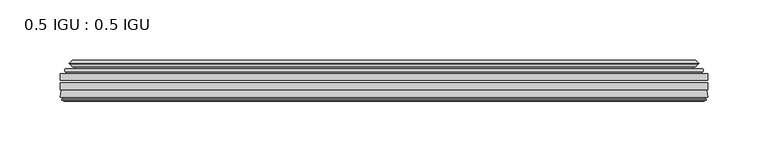
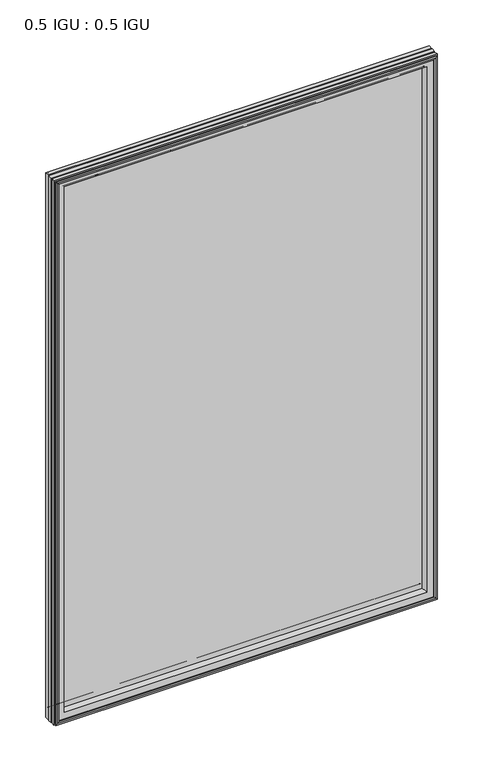
"""IFC4 building model written with IfcOpenShell, lengths in millimetres: plate geometry, 0.5 IGU : 0.5 IGU."""

from ifc_helpers import new_model, si_unit, frame, origin, place, context, project, spatial, polyline, ellipse_curve, outline, extrude, source, transform, mapped, element, save
from ifc_brep_helpers import plane_surface, cylinder_surface, revolved_surface, advanced_brep


def plate_0_5_igu_0_5_igu_18dc0cd3(model_context):
    return source(origin(), model_context, "Body", "SolidModel", [
        extrude(outline(polyline([(268.301675, -55.82285), (268.301675, -61.48705), (-268.2875, -61.48705), (-268.2875, -55.82285), (268.301675, -55.82285)])), frame((0.0, 0.0, -14.2875), z_axis=(0.0, 0.0, 1.0), x_axis=(1.0, 0.0, 0.0)), (0.0, 0.0, 1.0), 806.4537979),
        extrude(outline(polyline([(-268.2875, -69.05625), (-268.2875, -63.39205), (268.301675, -63.39205), (268.301675, -69.05625), (-268.2875, -69.05625)])), frame((0.0, 0.0, -14.2875), z_axis=(0.0, 0.0, 1.0), x_axis=(1.0, 0.0, 0.0)), (0.0, 0.0, 1.0), 806.4537979),
        advanced_brep(
        [(-264.1849626, -54.3724927, 788.0599626), (-263.1404378, -51.60645, 787.0154378), (-263.1404378, -51.60645, -9.1404378), (-264.1849626, -54.3724927, -10.1849626), (-262.548517, -55.82285, 786.423517), (-262.548517, -55.82285, -8.548517), (-254.0, -45.63745, 777.875), (-250.4172761, -55.82285, 774.2922761), (-250.4172761, -55.82285, 3.5827239), (-254.0, -45.63745, 0.0), (-259.1859109, -46.8185491, 783.0609109), (-259.1859109, -46.8185491, -5.1859109), (-258.3888893, -44.8183085, 782.2638893), (-258.3888893, -44.8183085, -4.3888893), (-260.6726111, -47.135817, 784.5476111), (-260.6726111, -47.135817, -6.6726111), (-260.6726111, -47.8489429, 784.5476111), (-260.6726111, -47.8489429, -6.6726111), (-258.3888893, -50.1664515, 782.2638893), (-258.3888893, -50.1664515, -4.3888893), (-259.1782501, -48.1854367, 783.0532501), (-259.1782501, -48.1854367, -5.1782501), (-256.6544379, -48.027045, 780.5294379), (-256.6544379, -48.027045, -2.6544379), (-255.6286217, -48.7147544, 779.5036217), (-255.6286217, -48.7147544, -1.6286217), (-255.7470288, -50.1092231, 779.6220288), (-255.7470288, -50.1092231, -1.7470288), (-256.3487748, -51.60645, 780.2237748), (-256.3487748, -51.60645, -2.3487748), (263.1404378, -51.60645, -9.1404378), (264.1849626, -54.3724927, -10.1849626), (262.548517, -55.82285, -8.548517), (250.4172761, -55.82285, 3.5827239), (254.0, -45.63745, 0.0), (259.1859109, -46.8185491, -5.1859109), (258.3888893, -44.8183085, -4.3888893), (260.6726111, -47.135817, -6.6726111), (260.6726111, -47.8489429, -6.6726111), (258.3888893, -50.1664515, -4.3888893), (259.1782501, -48.1854367, -5.1782501), (256.6544379, -48.027045, -2.6544379), (255.6286217, -48.7147544, -1.6286217), (255.7470288, -50.1092231, -1.7470288), (256.3487748, -51.60645, -2.3487748), (263.1404378, -51.60645, 787.0154378), (264.1849626, -54.3724927, 788.0599626), (262.548517, -55.82285, 786.423517), (250.4172761, -55.82285, 774.2922761), (254.0, -45.63745, 777.875), (259.1859109, -46.8185491, 783.0609109), (258.3888893, -44.8183085, 782.2638893), (260.6726111, -47.135817, 784.5476111), (260.6726111, -47.8489429, 784.5476111), (258.3888893, -50.1664515, 782.2638893), (259.1782501, -48.1854367, 783.0532501), (256.6544379, -48.027045, 780.5294379), (255.6286217, -48.7147544, 779.5036217), (255.7470288, -50.1092231, 779.6220288), (256.3487748, -51.60645, 780.2237748)],
        [
            (0, 1, ellipse_curve(frame((-263.1320703, -53.1898501, 787.0070703), z_axis=(-0.7071067811865475, 0.0, -0.7071067811865475), x_axis=(-0.7071067811865474, 0.0, 0.7071067811865476)), 2.2392971, 1.5834222)),
            (1, 2),
            (2, 3, ellipse_curve(frame((-263.1320703, -53.1898501, -9.1320703), z_axis=(-0.7071067811865475, 0.0, 0.7071067811865475), x_axis=(0.7071067811865474, 0.0, 0.7071067811865476)), 2.2392971, 1.5834222)),
            (3, 0),
            (4, 0),
            (3, 5),
            (5, 4),
            (6, 7, ellipse_curve(frame((-221.720246, -40.0058297, 745.595246), z_axis=(0.7071067811865475, 0.0, 0.7071067811865475), x_axis=(0.7071067811865474, 0.0, -0.7071067811865476)), 46.3399971, 32.7673262)),
            (7, 8),
            (8, 9, ellipse_curve(frame((-221.720246, -40.0058297, 32.279754), z_axis=(0.7071067811865475, 0.0, -0.7071067811865475), x_axis=(-0.7071067811865474, 0.0, -0.7071067811865476)), 46.3399971, 32.7673262)),
            (9, 6),
            (10, 6),
            (9, 11),
            (11, 10),
            (12, 10),
            (11, 13),
            (13, 12),
            (14, 12),
            (13, 15),
            (15, 14),
            (16, 14, ellipse_curve(frame((-260.3107729, -47.49238, 784.1857729), z_axis=(-0.7071067811865475, 0.0, -0.7071067811865475), x_axis=(-0.7071067811865474, 0.0, 0.7071067811865476)), 0.7184205, 0.508)),
            (15, 17, ellipse_curve(frame((-260.3107729, -47.49238, -6.3107729), z_axis=(-0.7071067811865475, 0.0, 0.7071067811865475), x_axis=(0.7071067811865474, 0.0, 0.7071067811865476)), 0.7184205, 0.508)),
            (17, 16),
            (18, 16),
            (17, 19),
            (19, 18),
            (20, 18),
            (19, 21),
            (21, 20),
            (22, 20),
            (21, 23),
            (23, 22),
            (24, 22, ellipse_curve(frame((-256.5908, -49.04105, 780.4658), z_axis=(0.7071067811865475, 0.0, 0.7071067811865475), x_axis=(0.7071067811865474, 0.0, -0.7071067811865476)), 1.436841, 1.016)),
            (23, 25, ellipse_curve(frame((-256.5908, -49.04105, -2.5908), z_axis=(0.7071067811865475, 0.0, -0.7071067811865475), x_axis=(-0.7071067811865474, 0.0, -0.7071067811865476)), 1.436841, 1.016)),
            (25, 24),
            (26, 24, ellipse_curve(frame((-257.9624, -49.21885, 781.8374), z_axis=(0.7071067811865475, 0.0, 0.7071067811865475), x_axis=(0.7071067811865474, 0.0, -0.7071067811865476)), 3.3765763, 2.3876)),
            (25, 27, ellipse_curve(frame((-257.9624, -49.21885, -3.9624), z_axis=(0.7071067811865475, 0.0, -0.7071067811865475), x_axis=(-0.7071067811865474, 0.0, -0.7071067811865476)), 3.3765763, 2.3876)),
            (27, 26),
            (28, 26),
            (27, 29),
            (29, 28),
            (2, 30),
            (30, 31, ellipse_curve(frame((263.1320703, -53.1898501, -9.1320703), z_axis=(-0.7071067811865475, 0.0, -0.7071067811865475), x_axis=(-0.7071067811865476, 0.0, 0.7071067811865474)), 2.2392971, 1.5834222)),
            (31, 3),
            (31, 32),
            (32, 5),
            (8, 33),
            (33, 34, ellipse_curve(frame((221.720246, -40.0058297, 32.279754), z_axis=(0.7071067811865475, 0.0, 0.7071067811865475), x_axis=(0.7071067811865476, 0.0, -0.7071067811865474)), 46.3399971, 32.7673262)),
            (34, 9),
            (34, 35),
            (35, 11),
            (35, 36),
            (36, 13),
            (36, 37),
            (37, 15),
            (37, 38, ellipse_curve(frame((260.3107729, -47.49238, -6.3107729), z_axis=(-0.7071067811865475, 0.0, -0.7071067811865475), x_axis=(-0.7071067811865476, 0.0, 0.7071067811865474)), 0.7184205, 0.508)),
            (38, 17),
            (38, 39),
            (39, 19),
            (39, 40),
            (40, 21),
            (40, 41),
            (41, 23),
            (41, 42, ellipse_curve(frame((256.5908, -49.04105, -2.5908), z_axis=(0.7071067811865475, 0.0, 0.7071067811865475), x_axis=(0.7071067811865476, 0.0, -0.7071067811865474)), 1.436841, 1.016)),
            (42, 25),
            (42, 43, ellipse_curve(frame((257.9624, -49.21885, -3.9624), z_axis=(0.7071067811865475, 0.0, 0.7071067811865475), x_axis=(0.7071067811865476, 0.0, -0.7071067811865474)), 3.3765763, 2.3876)),
            (43, 27),
            (43, 44),
            (44, 29),
            (30, 45),
            (45, 46, ellipse_curve(frame((263.1320703, -53.1898501, 787.0070703), z_axis=(0.7071067811865475, 0.0, -0.7071067811865475), x_axis=(-0.7071067811865474, 0.0, -0.7071067811865476)), 2.2392971, 1.5834222)),
            (46, 31),
            (46, 47),
            (47, 32),
            (33, 48),
            (48, 49, ellipse_curve(frame((221.720246, -40.0058297, 745.595246), z_axis=(-0.7071067811865475, 0.0, 0.7071067811865475), x_axis=(0.7071067811865474, 0.0, 0.7071067811865476)), 46.3399971, 32.7673262)),
            (49, 34),
            (49, 50),
            (50, 35),
            (50, 51),
            (51, 36),
            (51, 52),
            (52, 37),
            (52, 53, ellipse_curve(frame((260.3107729, -47.49238, 784.1857729), z_axis=(0.7071067811865475, 0.0, -0.7071067811865475), x_axis=(-0.7071067811865474, 0.0, -0.7071067811865476)), 0.7184205, 0.508)),
            (53, 38),
            (53, 54),
            (54, 39),
            (54, 55),
            (55, 40),
            (55, 56),
            (56, 41),
            (56, 57, ellipse_curve(frame((256.5908, -49.04105, 780.4658), z_axis=(-0.7071067811865475, 0.0, 0.7071067811865475), x_axis=(0.7071067811865474, 0.0, 0.7071067811865476)), 1.436841, 1.016)),
            (57, 42),
            (57, 58, ellipse_curve(frame((257.9624, -49.21885, 781.8374), z_axis=(-0.7071067811865475, 0.0, 0.7071067811865475), x_axis=(0.7071067811865474, 0.0, 0.7071067811865476)), 3.3765763, 2.3876)),
            (58, 43),
            (58, 59),
            (59, 44),
            (45, 1),
            (0, 46),
            (4, 47),
            (7, 48),
            (6, 49),
            (10, 50),
            (12, 51),
            (14, 52),
            (16, 53),
            (18, 54),
            (20, 55),
            (22, 56),
            (24, 57),
            (26, 58),
            (28, 59),
        ],
        [
            cylinder_surface(frame((-263.1320703, -53.1898501, 809.625), z_axis=(0.0, 0.0, 1.0), x_axis=(-1.0, 0.0, 0.0)), 1.5834222),
            plane_surface(frame((-264.1849626, -54.3724927, 788.0599626), z_axis=(-0.6632745773184306, -0.7483761320907135, 0.0), x_axis=(0.0, 0.0, -1.0))),
            revolved_surface(polyline([(-254.4875722, -40.0058297, -0.48757218957496207), (-254.4875722, -40.0058297, 778.362572189575)]), (-221.720246, -40.0058297, 809.625), (0.0, 0.0, -1.0)),
            plane_surface(frame((-254.0, -45.63745, 777.875), z_axis=(-0.2220649844278743, 0.975031867525902, 0.0), x_axis=(0.0, 0.0, -1.0))),
            plane_surface(frame((-259.1859109, -46.8185491, 783.0609109), z_axis=(0.9289682685630282, -0.370159365683228, 0.0), x_axis=(0.0, 0.0, -1.0))),
            plane_surface(frame((-258.3888893, -44.8183085, 782.2638893), z_axis=(-0.7122798501733507, 0.7018955869907071, 0.0), x_axis=(0.0, 0.0, -1.0))),
            cylinder_surface(frame((-260.3107729, -47.49238, 809.625), z_axis=(0.0, 0.0, 1.0), x_axis=(-1.0, 0.0, 0.0)), 0.508),
            plane_surface(frame((-260.6726111, -47.8489429, 784.5476111), z_axis=(-0.7122798501732925, -0.701895586990766, 0.0), x_axis=(0.0, 0.0, -1.0))),
            plane_surface(frame((-258.3888893, -50.1664515, 782.2638893), z_axis=(0.9289682685628707, 0.3701593656836228, 0.0), x_axis=(0.0, 0.0, -1.0))),
            plane_surface(frame((-259.1782501, -48.1854367, 783.0532501), z_axis=(0.0626357011928498, -0.9980364567169279, 0.0), x_axis=(0.0, 0.0, -1.0))),
            revolved_surface(polyline([(-257.6068, -49.04105, -3.606800014586838), (-257.6068, -49.04105, 781.4818000145868)]), (-256.5908, -49.04105, 809.625), (0.0, 0.0, -1.0)),
            revolved_surface(polyline([(-260.35, -49.21885, -6.3499999989237494), (-260.35, -49.21885, 784.2249999989237)]), (-257.9624, -49.21885, 809.625), (0.0, 0.0, -1.0)),
            plane_surface(frame((-255.7470288, -50.1092231, 779.6220288), z_axis=(-0.9278652925428184, 0.3729155385532094, 0.0), x_axis=(0.0, 0.0, -1.0))),
            cylinder_surface(frame((-285.75, -53.1898501, -9.1320703), z_axis=(-1.0, 0.0, 0.0), x_axis=(0.0, 0.0, -1.0)), 1.5834222),
            plane_surface(frame((-264.1849626, -54.3724927, -10.1849626), z_axis=(0.0, -0.7483761320907157, -0.6632745773184283), x_axis=(1.0, 0.0, 0.0))),
            revolved_surface(polyline([(254.48757218957496, -40.0058297, -0.48757220000000245), (-254.48757218957493, -40.0058297, -0.48757220000000245)]), (-285.75, -40.0058297, 32.279754), (1.0, 0.0, 0.0)),
            plane_surface(frame((-254.0, -45.63745, 0.0), z_axis=(0.0, 0.9750318675259013, -0.22206498442787745), x_axis=(1.0, 0.0, 0.0))),
            plane_surface(frame((-259.1859109, -46.8185491, -5.1859109), z_axis=(0.0, -0.370159365683225, 0.9289682685630294), x_axis=(1.0, 0.0, 0.0))),
            plane_surface(frame((-258.3888893, -44.8183085, -4.3888893), z_axis=(0.0, 0.7018955869907048, -0.7122798501733529), x_axis=(1.0, 0.0, 0.0))),
            cylinder_surface(frame((-285.75, -47.49238, -6.3107729), z_axis=(-1.0, 0.0, 0.0), x_axis=(0.0, 0.0, -1.0)), 0.508),
            plane_surface(frame((-260.6726111, -47.8489429, -6.6726111), z_axis=(0.0, -0.7018955869907684, -0.7122798501732903), x_axis=(1.0, 0.0, 0.0))),
            plane_surface(frame((-258.3888893, -50.1664515, -4.3888893), z_axis=(0.0, 0.37015936568362584, 0.9289682685628696), x_axis=(1.0, 0.0, 0.0))),
            plane_surface(frame((-259.1782501, -48.1854367, -5.1782501), z_axis=(0.0, -0.9980364567169276, 0.06263570119285301), x_axis=(1.0, 0.0, 0.0))),
            revolved_surface(polyline([(257.60680001458684, -49.04105, -3.6068000000000002), (-257.60680001458684, -49.04105, -3.6068000000000002)]), (-285.75, -49.04105, -2.5908), (1.0, 0.0, 0.0)),
            revolved_surface(polyline([(260.34999999892375, -49.21885, -6.35), (-260.3499999989238, -49.21885, -6.35)]), (-285.75, -49.21885, -3.9624), (1.0, 0.0, 0.0)),
            plane_surface(frame((-255.7470288, -50.1092231, -1.7470288), z_axis=(0.0, 0.3729155385532064, -0.9278652925428196), x_axis=(1.0, 0.0, 0.0))),
            cylinder_surface(frame((263.1320703, -53.1898501, -31.75), z_axis=(0.0, 0.0, -1.0), x_axis=(1.0, 0.0, 0.0)), 1.5834222),
            plane_surface(frame((264.1849626, -54.3724927, -10.1849626), z_axis=(0.6632745773184259, -0.7483761320907178, 0.0), x_axis=(0.0, 0.0, 1.0))),
            revolved_surface(polyline([(254.4875722, -40.0058297, 778.362572189575), (254.4875722, -40.0058297, -0.48757218957494075)]), (221.720246, -40.0058297, -31.75), (0.0, 0.0, 1.0)),
            plane_surface(frame((254.0, -45.63745, 0.0), z_axis=(0.22206498442788056, 0.9750318675259005, 0.0), x_axis=(0.0, 0.0, 1.0))),
            plane_surface(frame((259.1859109, -46.8185491, -5.1859109), z_axis=(-0.9289682685630306, -0.370159365683222, 0.0), x_axis=(0.0, 0.0, 1.0))),
            plane_surface(frame((258.3888893, -44.8183085, -4.3888893), z_axis=(0.7122798501733552, 0.7018955869907024, 0.0), x_axis=(0.0, 0.0, 1.0))),
            cylinder_surface(frame((260.3107729, -47.49238, -31.75), z_axis=(0.0, 0.0, -1.0), x_axis=(1.0, 0.0, 0.0)), 0.508),
            plane_surface(frame((260.6726111, -47.8489429, -6.6726111), z_axis=(0.712279850173288, -0.7018955869907706, 0.0), x_axis=(0.0, 0.0, 1.0))),
            plane_surface(frame((258.3888893, -50.1664515, -4.3888893), z_axis=(-0.9289682685628684, 0.37015936568362884, 0.0), x_axis=(0.0, 0.0, 1.0))),
            plane_surface(frame((259.1782501, -48.1854367, -5.1782501), z_axis=(-0.06263570119285623, -0.9980364567169274, 0.0), x_axis=(0.0, 0.0, 1.0))),
            revolved_surface(polyline([(257.6068, -49.04105, 781.4818000145868), (257.6068, -49.04105, -3.606800014586863)]), (256.5908, -49.04105, -31.75), (0.0, 0.0, 1.0)),
            revolved_surface(polyline([(260.35, -49.21885, 784.2249999989237), (260.35, -49.21885, -6.349999998923781)]), (257.9624, -49.21885, -31.75), (0.0, 0.0, 1.0)),
            plane_surface(frame((255.7470288, -50.1092231, -1.7470288), z_axis=(0.9278652925428208, 0.3729155385532034, 0.0), x_axis=(0.0, 0.0, 1.0))),
            cylinder_surface(frame((285.75, -53.1898501, 787.0070703), z_axis=(1.0, 0.0, 0.0), x_axis=(0.0, 0.0, 1.0)), 1.5834222),
            plane_surface(frame((264.1849626, -54.3724927, 788.0599626), z_axis=(0.0, -0.7483761320907157, 0.6632745773184283), x_axis=(-1.0, 0.0, 0.0))),
            plane_surface(frame((262.548517, -55.82285, 786.423517), z_axis=(0.0, -1.0, 0.0), x_axis=(-1.0, 0.0, 0.0))),
            revolved_surface(polyline([(-254.48757218957496, -40.0058297, 778.3625721999999), (254.48757218957493, -40.0058297, 778.3625721999999)]), (285.75, -40.0058297, 745.595246), (-1.0, 0.0, 0.0)),
            plane_surface(frame((254.0, -45.63745, 777.875), z_axis=(0.0, 0.9750318675259012, 0.22206498442787742), x_axis=(-1.0, 0.0, 0.0))),
            plane_surface(frame((259.1859109, -46.8185491, 783.0609109), z_axis=(0.0, -0.370159365683225, -0.9289682685630294), x_axis=(-1.0, 0.0, 0.0))),
            plane_surface(frame((258.3888893, -44.8183085, 782.2638893), z_axis=(0.0, 0.7018955869907048, 0.7122798501733529), x_axis=(-1.0, 0.0, 0.0))),
            cylinder_surface(frame((285.75, -47.49238, 784.1857729), z_axis=(1.0, 0.0, 0.0), x_axis=(0.0, 0.0, 1.0)), 0.508),
            plane_surface(frame((260.6726111, -47.8489429, 784.5476111), z_axis=(0.0, -0.7018955869907684, 0.7122798501732903), x_axis=(-1.0, 0.0, 0.0))),
            plane_surface(frame((258.3888893, -50.1664515, 782.2638893), z_axis=(0.0, 0.37015936568362584, -0.9289682685628696), x_axis=(-1.0, 0.0, 0.0))),
            plane_surface(frame((259.1782501, -48.1854367, 783.0532501), z_axis=(0.0, -0.9980364567169276, -0.06263570119285301), x_axis=(-1.0, 0.0, 0.0))),
            revolved_surface(polyline([(-257.60680001458684, -49.04105, 781.4817999999999), (257.60680001458684, -49.04105, 781.4817999999999)]), (285.75, -49.04105, 780.4658), (-1.0, 0.0, 0.0)),
            revolved_surface(polyline([(-260.34999999892375, -49.21885, 784.225), (260.3499999989238, -49.21885, 784.225)]), (285.75, -49.21885, 781.8374), (-1.0, 0.0, 0.0)),
            plane_surface(frame((255.7470288, -50.1092231, 779.6220288), z_axis=(0.0, 0.3729155385532064, 0.9278652925428196), x_axis=(-1.0, 0.0, 0.0))),
            plane_surface(frame((256.3487748, -51.60645, 780.2237748), z_axis=(0.0, 1.0, 0.0), x_axis=(-1.0, 0.0, 0.0))),
        ],
        [
            (0, [[1, 2, 3, 4]]),
            (1, [[5, -4, 6, 7]]),
            (2, [[8, 9, 10, 11]]),
            (3, [[12, -11, 13, 14]]),
            (4, [[15, -14, 16, 17]]),
            (5, [[18, -17, 19, 20]]),
            (6, [[21, -20, 22, 23]]),
            (7, [[24, -23, 25, 26]]),
            (8, [[27, -26, 28, 29]]),
            (9, [[30, -29, 31, 32]]),
            (10, [[33, -32, 34, 35]]),
            (11, [[36, -35, 37, 38]]),
            (12, [[39, -38, 40, 41]]),
            (13, [[-3, 42, 43, 44]]),
            (14, [[-6, -44, 45, 46]]),
            (15, [[-10, 47, 48, 49]]),
            (16, [[-13, -49, 50, 51]]),
            (17, [[-16, -51, 52, 53]]),
            (18, [[-19, -53, 54, 55]]),
            (19, [[-22, -55, 56, 57]]),
            (20, [[-25, -57, 58, 59]]),
            (21, [[-28, -59, 60, 61]]),
            (22, [[-31, -61, 62, 63]]),
            (23, [[-34, -63, 64, 65]]),
            (24, [[-37, -65, 66, 67]]),
            (25, [[-40, -67, 68, 69]]),
            (26, [[-43, 70, 71, 72]]),
            (27, [[-45, -72, 73, 74]]),
            (28, [[-48, 75, 76, 77]]),
            (29, [[-50, -77, 78, 79]]),
            (30, [[-52, -79, 80, 81]]),
            (31, [[-54, -81, 82, 83]]),
            (32, [[-56, -83, 84, 85]]),
            (33, [[-58, -85, 86, 87]]),
            (34, [[-60, -87, 88, 89]]),
            (35, [[-62, -89, 90, 91]]),
            (36, [[-64, -91, 92, 93]]),
            (37, [[-66, -93, 94, 95]]),
            (38, [[-68, -95, 96, 97]]),
            (39, [[-71, 98, -1, 99]]),
            (40, [[-73, -99, -5, 100]]),
            (41, [[-46, -74, -100, -7], [101, -75, -47, -9]]),
            (42, [[-76, -101, -8, 102]]),
            (43, [[-78, -102, -12, 103]]),
            (44, [[-80, -103, -15, 104]]),
            (45, [[-82, -104, -18, 105]]),
            (46, [[-84, -105, -21, 106]]),
            (47, [[-86, -106, -24, 107]]),
            (48, [[-88, -107, -27, 108]]),
            (49, [[-90, -108, -30, 109]]),
            (50, [[-92, -109, -33, 110]]),
            (51, [[-94, -110, -36, 111]]),
            (52, [[-96, -111, -39, 112]]),
            (53, [[-98, -70, -42, -2], [-69, -97, -112, -41]]),
        ],
    ),
        advanced_brep(
        [(-268.3002, -75.40625, 792.1752), (-267.6054162, -69.7476901, 791.4804162), (-267.6054162, -69.7476901, -13.6054162), (-268.3002, -75.40625, -14.3002), (-265.9126, -77.3973143, 789.7876), (-266.3698, -75.40625, 790.2448), (-266.3698, -75.40625, -12.3698), (-265.9126, -77.3973143, -11.9126), (-266.9139619, -77.1290001, 790.7889619), (-266.9139619, -77.1290001, -12.9139619), (-267.1572, -78.0367772, 791.0322), (-267.1572, -78.0367772, -13.1572), (-265.1252, -78.58125, 789.0002), (-265.1252, -78.58125, -11.1252), (-263.0932, -78.0367772, 786.9682), (-263.0932, -78.0367772, -9.0932), (-263.3364381, -77.1290001, 787.2114381), (-263.3364381, -77.1290001, -9.3364381), (-264.3378, -77.3973143, 788.2128), (-264.3378, -77.3973143, -10.3378), (-263.8806, -75.40625, 787.7556), (-263.8806, -75.40625, -9.8806), (-250.4105369, -69.05625, 774.2855369), (-254.0, -75.40625, 777.875), (-254.0, -75.40625, 0.0), (-250.4105369, -69.05625, 3.5894631), (-266.8238854, -69.05625, 790.6988854), (-266.8238854, -69.05625, -12.8238854), (267.6054162, -69.7476901, -13.6054162), (268.3002, -75.40625, -14.3002), (266.3698, -75.40625, -12.3698), (265.9126, -77.3973143, -11.9126), (266.9139619, -77.1290001, -12.9139619), (267.1572, -78.0367772, -13.1572), (265.1252, -78.58125, -11.1252), (263.0932, -78.0367772, -9.0932), (263.3364381, -77.1290001, -9.3364381), (264.3378, -77.3973143, -10.3378), (263.8806, -75.40625, -9.8806), (254.0, -75.40625, 0.0), (250.4105369, -69.05625, 3.5894631), (266.8238854, -69.05625, -12.8238854), (267.6054162, -69.7476901, 791.4804162), (268.3002, -75.40625, 792.1752), (266.3698, -75.40625, 790.2448), (265.9126, -77.3973143, 789.7876), (266.9139619, -77.1290001, 790.7889619), (267.1572, -78.0367772, 791.0322), (265.1252, -78.58125, 789.0002), (263.0932, -78.0367772, 786.9682), (263.3364381, -77.1290001, 787.2114381), (264.3378, -77.3973143, 788.2128), (263.8806, -75.40625, 787.7556), (254.0, -75.40625, 777.875), (250.4105369, -69.05625, 774.2855369), (266.8238854, -69.05625, 790.6988854)],
        [
            (0, 1),
            (1, 2),
            (2, 3),
            (3, 0),
            (4, 5),
            (5, 6),
            (6, 7),
            (7, 4),
            (8, 4),
            (7, 9),
            (9, 8),
            (10, 8),
            (9, 11),
            (11, 10),
            (12, 10),
            (11, 13),
            (13, 12),
            (14, 12),
            (13, 15),
            (15, 14),
            (16, 14),
            (15, 17),
            (17, 16),
            (18, 16),
            (17, 19),
            (19, 18),
            (20, 18),
            (19, 21),
            (21, 20),
            (22, 23, ellipse_curve(frame((-245.5237114, -76.0081323, 769.3987114), z_axis=(0.7071067811865475, 0.0, 0.7071067811865475), x_axis=(0.7071067811865474, 0.0, -0.7071067811865476)), 12.0174649, 8.4976309)),
            (23, 24),
            (24, 25, ellipse_curve(frame((-245.5237114, -76.0081323, 8.4762886), z_axis=(0.7071067811865475, 0.0, -0.7071067811865475), x_axis=(-0.7071067811865474, 0.0, -0.7071067811865476)), 12.0174649, 8.4976309)),
            (25, 22),
            (1, 26, ellipse_curve(frame((-266.8238854, -69.84365, 790.6988854), z_axis=(-0.7071067811865475, 0.0, -0.7071067811865475), x_axis=(-0.7071067811865474, 0.0, 0.7071067811865476)), 1.1135518, 0.7874)),
            (26, 27),
            (27, 2, ellipse_curve(frame((-266.8238854, -69.84365, -12.8238854), z_axis=(-0.7071067811865475, 0.0, 0.7071067811865475), x_axis=(0.7071067811865474, 0.0, 0.7071067811865476)), 1.1135518, 0.7874)),
            (2, 28),
            (28, 29),
            (29, 3),
            (6, 30),
            (30, 31),
            (31, 7),
            (31, 32),
            (32, 9),
            (32, 33),
            (33, 11),
            (33, 34),
            (34, 13),
            (34, 35),
            (35, 15),
            (35, 36),
            (36, 17),
            (36, 37),
            (37, 19),
            (37, 38),
            (38, 21),
            (24, 39),
            (39, 40, ellipse_curve(frame((245.5237114, -76.0081323, 8.4762886), z_axis=(0.7071067811865475, 0.0, 0.7071067811865475), x_axis=(0.7071067811865476, 0.0, -0.7071067811865474)), 12.0174649, 8.4976309)),
            (40, 25),
            (27, 41),
            (41, 28, ellipse_curve(frame((266.8238854, -69.84365, -12.8238854), z_axis=(-0.7071067811865475, 0.0, -0.7071067811865475), x_axis=(-0.7071067811865476, 0.0, 0.7071067811865474)), 1.1135518, 0.7874)),
            (28, 42),
            (42, 43),
            (43, 29),
            (30, 44),
            (44, 45),
            (45, 31),
            (45, 46),
            (46, 32),
            (46, 47),
            (47, 33),
            (47, 48),
            (48, 34),
            (48, 49),
            (49, 35),
            (49, 50),
            (50, 36),
            (50, 51),
            (51, 37),
            (51, 52),
            (52, 38),
            (39, 53),
            (53, 54, ellipse_curve(frame((245.5237114, -76.0081323, 769.3987114), z_axis=(-0.7071067811865475, 0.0, 0.7071067811865475), x_axis=(0.7071067811865474, 0.0, 0.7071067811865476)), 12.0174649, 8.4976309)),
            (54, 40),
            (41, 55),
            (55, 42, ellipse_curve(frame((266.8238854, -69.84365, 790.6988854), z_axis=(0.7071067811865475, 0.0, -0.7071067811865475), x_axis=(-0.7071067811865474, 0.0, -0.7071067811865476)), 1.1135518, 0.7874)),
            (42, 1),
            (0, 43),
            (5, 44),
            (4, 45),
            (8, 46),
            (10, 47),
            (12, 48),
            (14, 49),
            (16, 50),
            (18, 51),
            (20, 52),
            (23, 53),
            (22, 54),
            (26, 55),
        ],
        [
            plane_surface(frame((-267.6054162, -69.7476901, 791.4804162), z_axis=(-0.992546151641325, 0.12186934340512405, 0.0), x_axis=(0.0, 0.0, -1.0))),
            plane_surface(frame((-266.3698, -75.40625, 790.2448), z_axis=(-0.9746347637895902, -0.22380142361658398, 0.0), x_axis=(0.0, 0.0, -1.0))),
            plane_surface(frame((-265.9126, -77.3973143, 789.7876), z_axis=(0.2588190451026526, 0.965925826289033, 0.0), x_axis=(0.0, 0.0, -1.0))),
            plane_surface(frame((-266.9139619, -77.1290001, 790.7889619), z_axis=(-0.9659258262890449, 0.2588190451026083, 0.0), x_axis=(0.0, 0.0, -1.0))),
            plane_surface(frame((-267.1572, -78.0367772, 791.0322), z_axis=(-0.2588190451024403, -0.96592582628909, 0.0), x_axis=(0.0, 0.0, -1.0))),
            plane_surface(frame((-265.1252, -78.58125, 789.0002), z_axis=(0.2588190451025434, -0.9659258262890623, 0.0), x_axis=(0.0, 0.0, -1.0))),
            plane_surface(frame((-263.0932, -78.0367772, 786.9682), z_axis=(0.9659258262891713, 0.25881904510213655, 0.0), x_axis=(0.0, 0.0, -1.0))),
            plane_surface(frame((-263.3364381, -77.1290001, 787.2114381), z_axis=(-0.25881904510234177, 0.9659258262891163, 0.0), x_axis=(0.0, 0.0, -1.0))),
            plane_surface(frame((-264.3378, -77.3973143, 788.2128), z_axis=(0.9746347637895849, -0.22380142361660743, 0.0), x_axis=(0.0, 0.0, -1.0))),
            revolved_surface(polyline([(-254.0213423, -76.0081323, -0.02134232346134013), (-254.0213423, -76.0081323, 777.8963423234613)]), (-245.5237114, -76.0081323, 809.625), (0.0, 0.0, -1.0)),
            cylinder_surface(frame((-266.8238854, -69.84365, 809.625), z_axis=(0.0, 0.0, 1.0), x_axis=(-1.0, 0.0, 0.0)), 0.7874),
            plane_surface(frame((-267.6054162, -69.7476901, -13.6054162), z_axis=(0.0, 0.12186934340512084, -0.9925461516413254), x_axis=(1.0, 0.0, 0.0))),
            plane_surface(frame((-266.3698, -75.40625, -12.3698), z_axis=(0.0, -0.22380142361658714, -0.9746347637895896), x_axis=(1.0, 0.0, 0.0))),
            plane_surface(frame((-265.9126, -77.3973143, -11.9126), z_axis=(0.0, 0.9659258262890339, 0.25881904510264947), x_axis=(1.0, 0.0, 0.0))),
            plane_surface(frame((-266.9139619, -77.1290001, -12.9139619), z_axis=(0.0, 0.25881904510260517, -0.9659258262890458), x_axis=(1.0, 0.0, 0.0))),
            plane_surface(frame((-267.1572, -78.0367772, -13.1572), z_axis=(0.0, -0.9659258262890907, -0.25881904510243714), x_axis=(1.0, 0.0, 0.0))),
            plane_surface(frame((-265.1252, -78.58125, -11.1252), z_axis=(0.0, -0.9659258262890614, 0.2588190451025465), x_axis=(1.0, 0.0, 0.0))),
            plane_surface(frame((-263.0932, -78.0367772, -9.0932), z_axis=(0.0, 0.25881904510213966, 0.9659258262891705), x_axis=(1.0, 0.0, 0.0))),
            plane_surface(frame((-263.3364381, -77.1290001, -9.3364381), z_axis=(0.0, 0.9659258262891154, -0.2588190451023449), x_axis=(1.0, 0.0, 0.0))),
            plane_surface(frame((-264.3378, -77.3973143, -10.3378), z_axis=(0.0, -0.2238014236166043, 0.9746347637895857), x_axis=(1.0, 0.0, 0.0))),
            revolved_surface(polyline([(254.02134232346134, -76.0081323, -0.02134230000000059), (-254.0213423234613, -76.0081323, -0.02134230000000059)]), (-285.75, -76.0081323, 8.4762886), (1.0, 0.0, 0.0)),
            cylinder_surface(frame((-285.75, -69.84365, -12.8238854), z_axis=(-1.0, 0.0, 0.0), x_axis=(0.0, 0.0, -1.0)), 0.7874),
            plane_surface(frame((267.6054162, -69.7476901, -13.6054162), z_axis=(0.9925461516413259, 0.12186934340511764, 0.0), x_axis=(0.0, 0.0, 1.0))),
            plane_surface(frame((266.3698, -75.40625, -12.3698), z_axis=(0.9746347637895888, -0.22380142361659028, 0.0), x_axis=(0.0, 0.0, 1.0))),
            plane_surface(frame((265.9126, -77.3973143, -11.9126), z_axis=(-0.25881904510264636, 0.9659258262890348, 0.0), x_axis=(0.0, 0.0, 1.0))),
            plane_surface(frame((266.9139619, -77.1290001, -12.9139619), z_axis=(0.9659258262890467, 0.25881904510260206, 0.0), x_axis=(0.0, 0.0, 1.0))),
            plane_surface(frame((267.1572, -78.0367772, -13.1572), z_axis=(0.25881904510243403, -0.9659258262890916, 0.0), x_axis=(0.0, 0.0, 1.0))),
            plane_surface(frame((265.1252, -78.58125, -11.1252), z_axis=(-0.25881904510254966, -0.9659258262890607, 0.0), x_axis=(0.0, 0.0, 1.0))),
            plane_surface(frame((263.0932, -78.0367772, -9.0932), z_axis=(-0.9659258262891696, 0.25881904510214276, 0.0), x_axis=(0.0, 0.0, 1.0))),
            plane_surface(frame((263.3364381, -77.1290001, -9.3364381), z_axis=(0.25881904510234804, 0.9659258262891146, 0.0), x_axis=(0.0, 0.0, 1.0))),
            plane_surface(frame((264.3378, -77.3973143, -10.3378), z_axis=(-0.9746347637895864, -0.22380142361660113, 0.0), x_axis=(0.0, 0.0, 1.0))),
            revolved_surface(polyline([(254.0213423, -76.0081323, 777.8963423234613), (254.0213423, -76.0081323, -0.021342323461311707)]), (245.5237114, -76.0081323, -31.75), (0.0, 0.0, 1.0)),
            cylinder_surface(frame((266.8238854, -69.84365, -31.75), z_axis=(0.0, 0.0, -1.0), x_axis=(1.0, 0.0, 0.0)), 0.7874),
            plane_surface(frame((267.6054162, -69.7476901, 791.4804162), z_axis=(0.0, 0.12186934340512084, 0.9925461516413254), x_axis=(-1.0, 0.0, 0.0))),
            plane_surface(frame((268.3002, -75.40625, 792.1752), z_axis=(0.0, -1.0, 0.0), x_axis=(-1.0, 0.0, 0.0))),
            plane_surface(frame((266.3698, -75.40625, 790.2448), z_axis=(0.0, -0.22380142361658714, 0.9746347637895896), x_axis=(-1.0, 0.0, 0.0))),
            plane_surface(frame((265.9126, -77.3973143, 789.7876), z_axis=(0.0, 0.9659258262890339, -0.25881904510264947), x_axis=(-1.0, 0.0, 0.0))),
            plane_surface(frame((266.9139619, -77.1290001, 790.7889619), z_axis=(0.0, 0.25881904510260517, 0.9659258262890458), x_axis=(-1.0, 0.0, 0.0))),
            plane_surface(frame((267.1572, -78.0367772, 791.0322), z_axis=(0.0, -0.9659258262890907, 0.25881904510243714), x_axis=(-1.0, 0.0, 0.0))),
            plane_surface(frame((265.1252, -78.58125, 789.0002), z_axis=(0.0, -0.9659258262890614, -0.25881904510254655), x_axis=(-1.0, 0.0, 0.0))),
            plane_surface(frame((263.0932, -78.0367772, 786.9682), z_axis=(0.0, 0.25881904510213966, -0.9659258262891705), x_axis=(-1.0, 0.0, 0.0))),
            plane_surface(frame((263.3364381, -77.1290001, 787.2114381), z_axis=(0.0, 0.9659258262891155, 0.25881904510234494), x_axis=(-1.0, 0.0, 0.0))),
            plane_surface(frame((264.3378, -77.3973143, 788.2128), z_axis=(0.0, -0.22380142361660427, -0.9746347637895856), x_axis=(-1.0, 0.0, 0.0))),
            plane_surface(frame((263.8806, -75.40625, 787.7556), z_axis=(0.0, -1.0, 0.0), x_axis=(-1.0, 0.0, 0.0))),
            revolved_surface(polyline([(-254.02134232346134, -76.0081323, 777.8963423), (254.0213423234613, -76.0081323, 777.8963423)]), (285.75, -76.0081323, 769.3987114), (-1.0, 0.0, 0.0)),
            plane_surface(frame((250.4105369, -69.05625, 774.2855369), z_axis=(0.0, 1.0, 0.0), x_axis=(-1.0, 0.0, 0.0))),
            cylinder_surface(frame((285.75, -69.84365, 790.6988854), z_axis=(1.0, 0.0, 0.0), x_axis=(0.0, 0.0, 1.0)), 0.7874),
        ],
        [
            (0, [[1, 2, 3, 4]]),
            (1, [[5, 6, 7, 8]]),
            (2, [[9, -8, 10, 11]]),
            (3, [[12, -11, 13, 14]]),
            (4, [[15, -14, 16, 17]]),
            (5, [[18, -17, 19, 20]]),
            (6, [[21, -20, 22, 23]]),
            (7, [[24, -23, 25, 26]]),
            (8, [[27, -26, 28, 29]]),
            (9, [[30, 31, 32, 33]]),
            (10, [[34, 35, 36, -2]]),
            (11, [[-3, 37, 38, 39]]),
            (12, [[-7, 40, 41, 42]]),
            (13, [[-10, -42, 43, 44]]),
            (14, [[-13, -44, 45, 46]]),
            (15, [[-16, -46, 47, 48]]),
            (16, [[-19, -48, 49, 50]]),
            (17, [[-22, -50, 51, 52]]),
            (18, [[-25, -52, 53, 54]]),
            (19, [[-28, -54, 55, 56]]),
            (20, [[-32, 57, 58, 59]]),
            (21, [[-36, 60, 61, -37]]),
            (22, [[-38, 62, 63, 64]]),
            (23, [[-41, 65, 66, 67]]),
            (24, [[-43, -67, 68, 69]]),
            (25, [[-45, -69, 70, 71]]),
            (26, [[-47, -71, 72, 73]]),
            (27, [[-49, -73, 74, 75]]),
            (28, [[-51, -75, 76, 77]]),
            (29, [[-53, -77, 78, 79]]),
            (30, [[-55, -79, 80, 81]]),
            (31, [[-58, 82, 83, 84]]),
            (32, [[-61, 85, 86, -62]]),
            (33, [[-63, 87, -1, 88]]),
            (34, [[-39, -64, -88, -4], [89, -65, -40, -6]]),
            (35, [[-66, -89, -5, 90]]),
            (36, [[-68, -90, -9, 91]]),
            (37, [[-70, -91, -12, 92]]),
            (38, [[-72, -92, -15, 93]]),
            (39, [[-74, -93, -18, 94]]),
            (40, [[-76, -94, -21, 95]]),
            (41, [[-78, -95, -24, 96]]),
            (42, [[-80, -96, -27, 97]]),
            (43, [[-56, -81, -97, -29], [98, -82, -57, -31]]),
            (44, [[-83, -98, -30, 99]]),
            (45, [[100, -85, -60, -35], [-59, -84, -99, -33]]),
            (46, [[-86, -100, -34, -87]]),
        ],
    ),
    ])


if __name__ == "__main__":
    model = new_model("IFC4")
    model_context = context("Model", 3, world=origin())
    ifc_project = project(units=[si_unit("LENGTHUNIT", "METRE", prefix="MILLI")], contexts=[model_context])
    site = spatial("IfcSite", under=ifc_project)
    building = spatial("IfcBuilding", under=site)
    placement = place(None, origin())
    plate_0_5_igu_0_5_igu_shape = plate_0_5_igu_0_5_igu_18dc0cd3(model_context)
    element("IfcPlate", 1, ObjectType="0.5 IGU : 0.5 IGU", at=placement, inside=building, context=model_context, shape_type="MappedRepresentation", body=[
        mapped(plate_0_5_igu_0_5_igu_shape, transform((0.0, 0.0, 0.0), x_axis=(1.0, 0.0, 0.0), y_axis=(0.0, 1.0, 0.0), z_axis=(0.0, 0.0, 1.0))),
    ])
    save(model, "model.ifc")
